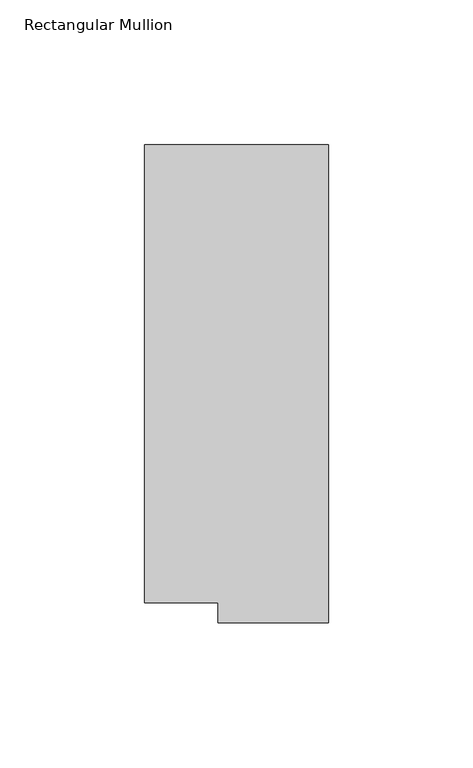
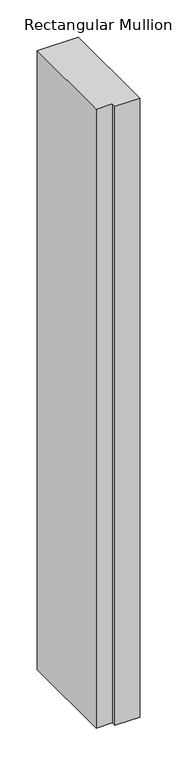
"""IFC4 building model written with IfcOpenShell, lengths in millimetres: member geometry, Rectangular Mullion."""

from ifc_helpers import new_model, si_unit, frame, origin, place, context, project, spatial, polyline, outline, extrude, source, transform, mapped, element, save


def rectangular_mullion_030dd9aa(model_context):
    return source(origin(), model_context, "Body", "SweptSolid", [
        extrude(outline(polyline([(-63.5, 32.54375), (0.0, 32.54375), (0.0, -132.55625), (-38.1, -132.55625), (-38.1, -125.59665), (-63.5, -125.59665), (-63.5, 32.54375)])), frame((0.0, 0.0, -1016.0), z_axis=(0.0, 0.0, 1.0), x_axis=(1.0, 0.0, 0.0)), (0.0, 0.0, 1.0), 1016.0),
    ])


if __name__ == "__main__":
    model = new_model("IFC4")
    model_context = context("Model", 3, world=origin())
    ifc_project = project(units=[si_unit("LENGTHUNIT", "METRE", prefix="MILLI")], contexts=[model_context])
    site = spatial("IfcSite", under=ifc_project)
    building = spatial("IfcBuilding", under=site)
    placement = place(None, origin())
    rectangular_mullion_shape = rectangular_mullion_030dd9aa(model_context)
    element("IfcMember", 1, ObjectType="Rectangular Mullion", at=placement, inside=building, context=model_context, shape_type="MappedRepresentation", body=[
        mapped(rectangular_mullion_shape, transform((0.0, 0.0, 0.0), x_axis=(1.0, 0.0, 0.0), y_axis=(0.0, 1.0, 0.0), z_axis=(0.0, 0.0, 1.0))),
    ])
    save(model, "model.ifc")
